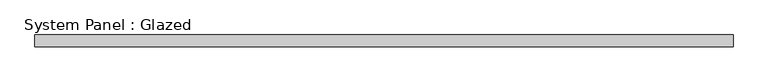
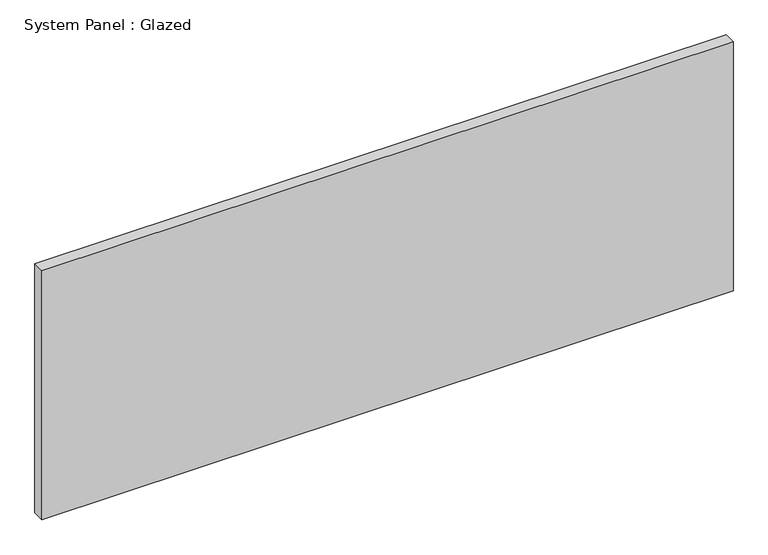
"""IFC4 building model written with IfcOpenShell, lengths in millimetres: plate geometry, System Panel : Glazed."""

from ifc_helpers import new_model, si_unit, origin, origin_with_axes, place, context, project, spatial, polyline, outline, extrude, source, transform, mapped, element, save


def system_panel_glazed_d7226959(model_context):
    return source(origin(), model_context, "Body", "SweptSolid", [
        extrude(outline(polyline([(731.7501169, 24.5), (-731.7501169, 24.5), (-731.7501169, 49.5), (731.7501169, 49.5), (731.7501169, 24.5)])), origin_with_axes(), (0.0, 0.0, 1.0), 557.4833333),
    ])


if __name__ == "__main__":
    model = new_model("IFC4")
    model_context = context("Model", 3, world=origin())
    ifc_project = project(units=[si_unit("LENGTHUNIT", "METRE", prefix="MILLI")], contexts=[model_context])
    site = spatial("IfcSite", under=ifc_project)
    building = spatial("IfcBuilding", under=site)
    placement = place(None, origin())
    system_panel_glazed_shape = system_panel_glazed_d7226959(model_context)
    element("IfcPlate", 1, ObjectType="System Panel : Glazed", at=placement, inside=building, context=model_context, shape_type="MappedRepresentation", body=[
        mapped(system_panel_glazed_shape, transform((0.0, 0.0, 0.0), x_axis=(1.0, 0.0, 0.0), y_axis=(0.0, 1.0, 0.0), z_axis=(0.0, 0.0, 1.0))),
    ])
    save(model, "model.ifc")
